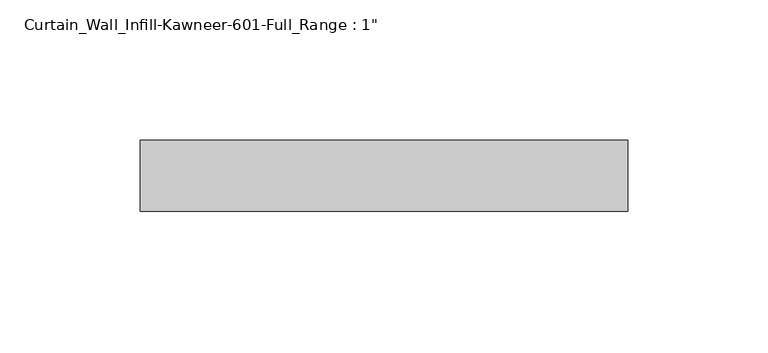
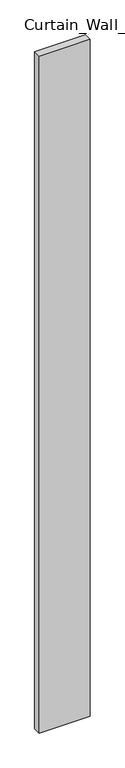
"""IFC4 building model written with IfcOpenShell, lengths in millimetres: plate geometry."""

from ifc_helpers import new_model, si_unit, origin, origin_with_axes, place, context, project, spatial, polyline, outline, extrude, source, transform, mapped, element, save


def plate_94fb4297(model_context):
    return source(origin(), model_context, "Body", "SweptSolid", [
        extrude(outline(polyline([(-86.9917935, -12.7), (-86.9917935, 12.7), (86.9917935, 12.7), (86.9917935, -12.7), (-86.9917935, -12.7)])), origin_with_axes(), (0.0, 0.0, 1.0), 2438.4),
    ])


if __name__ == "__main__":
    model = new_model("IFC4")
    model_context = context("Model", 3, world=origin())
    ifc_project = project(units=[si_unit("LENGTHUNIT", "METRE", prefix="MILLI")], contexts=[model_context])
    site = spatial("IfcSite", under=ifc_project)
    building = spatial("IfcBuilding", under=site)
    placement = place(None, origin())
    plate_shape = plate_94fb4297(model_context)
    element("IfcPlate", 1, ObjectType="Curtain_Wall_Infill-Kawneer-601-Full_Range : 1\"", at=placement, inside=building, context=model_context, shape_type="MappedRepresentation", body=[
        mapped(plate_shape, transform((0.0, 0.0, 0.0), x_axis=(1.0, 0.0, 0.0), y_axis=(0.0, 1.0, 0.0), z_axis=(0.0, 0.0, 1.0))),
    ])
    save(model, "model.ifc")
